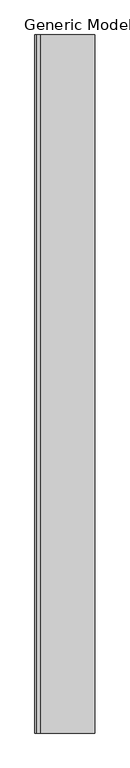
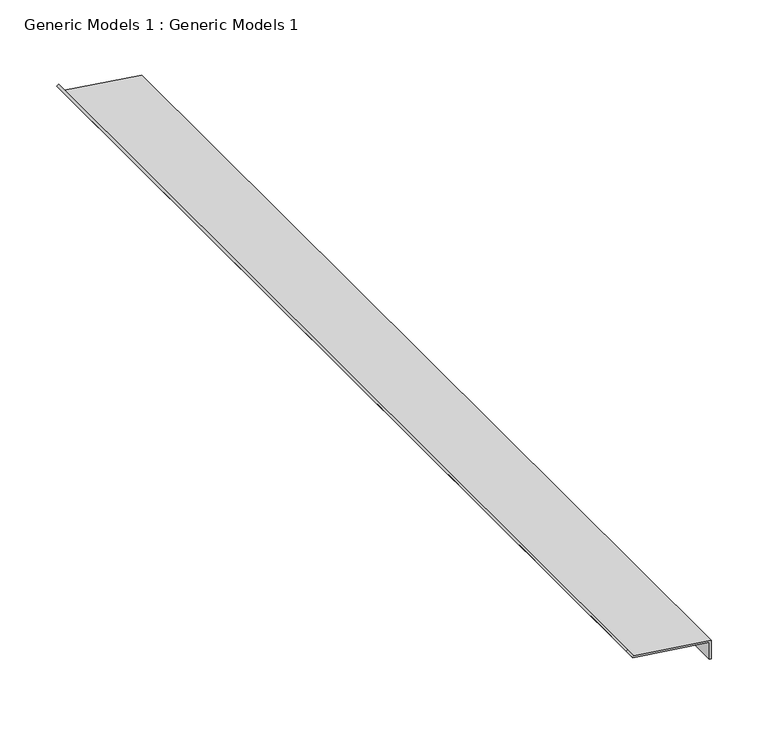
"""IFC4 building model written with IfcOpenShell, lengths in millimetres: proxy geometry, Generic Models 1 : Generic Models 1."""

from ifc_helpers import new_model, si_unit, frame, origin, place, context, project, spatial, polyline, outline, extrude, source, transform, mapped, element, save


def generic_models_1_generic_models_1_4f4275fd(model_context):
    return source(origin(), model_context, "Body", "SweptSolid", [
        extrude(outline(polyline([(-220.3282577, 798.3800317), (-211.9311163, 792.50029), (-213.0782692, 790.8619859), (-222.1877654, 797.2405239), (-233.0763536, 874.716854), (-251.0763536, 874.716854), (-251.0763536, 876.716854), (-231.3377801, 876.716854), (-220.3282577, 798.3800317)])), frame((0.0, 38904.823408, 0.0), z_axis=(0.0, 1.0, 0.0), x_axis=(0.0, 0.0, 1.0)), (0.0, 0.0, 1.0), 999.2054392),
    ])


if __name__ == "__main__":
    model = new_model("IFC4")
    model_context = context("Model", 3, world=origin())
    ifc_project = project(units=[si_unit("LENGTHUNIT", "METRE", prefix="MILLI")], contexts=[model_context])
    site = spatial("IfcSite", under=ifc_project)
    building = spatial("IfcBuilding", under=site)
    placement = place(None, origin())
    generic_models_1_generic_models_1_shape = generic_models_1_generic_models_1_4f4275fd(model_context)
    element("IfcBuildingElementProxy", 1, Name="Generic Models 1 : Generic Models 1", ObjectType="Generic Models 1 : Generic Models 1", at=placement, inside=building, context=model_context, shape_type="MappedRepresentation", body=[
        mapped(generic_models_1_generic_models_1_shape, transform((0.0, 0.0, 0.0), x_axis=(1.0, 0.0, 0.0), y_axis=(0.0, 1.0, 0.0), z_axis=(0.0, 0.0, 1.0))),
    ])
    save(model, "model.ifc")
